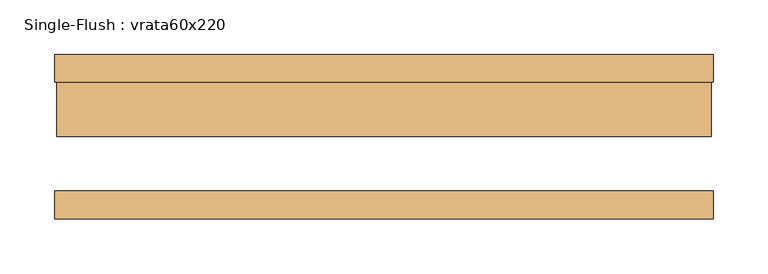
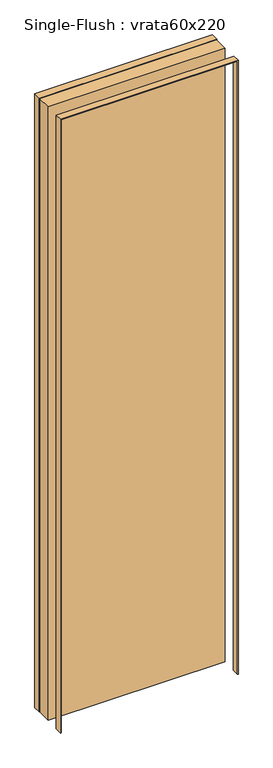
"""IFC4 building model written with IfcOpenShell, lengths in millimetres: door geometry, Single-Flush : vrata60x220."""

from ifc_helpers import new_model, si_unit, frame, origin, origin_with_axes, place, context, project, spatial, polyline, outline, extrude, source, transform, mapped, element, save


def single_flush_vrata60x220_a317b23c(model_context):
    return source(origin(), model_context, "Body", "SweptSolid", [
        extrude(outline(polyline([(2202.0, -302.0), (0.0, -302.0), (0.0, -300.0), (2200.0, -300.0), (2200.0, 300.0), (0.0, 300.0), (0.0, 302.0), (2202.0, 302.0), (2202.0, -302.0)])), frame((0.0, 50.0, 0.0), z_axis=(0.0, 1.0, 0.0), x_axis=(0.0, 0.0, 1.0)), (0.0, 0.0, 1.0), 25.4),
        extrude(outline(polyline([(2202.0, 302.0), (2202.0, -302.0), (0.0, -302.0), (0.0, -300.0), (2200.0, -300.0), (2200.0, 300.0), (0.0, 300.0), (0.0, 302.0), (2202.0, 302.0)])), frame((0.0, -75.4, 0.0), z_axis=(0.0, 1.0, 0.0), x_axis=(0.0, 0.0, 1.0)), (0.0, 0.0, 1.0), 25.4),
        extrude(outline(polyline([(300.0, 0.0), (-300.0, 0.0), (-300.0, 50.0), (300.0, 50.0), (300.0, 0.0)])), origin_with_axes(), (0.0, 0.0, 1.0), 2200.0),
    ])


if __name__ == "__main__":
    model = new_model("IFC4")
    model_context = context("Model", 3, world=origin())
    ifc_project = project(units=[si_unit("LENGTHUNIT", "METRE", prefix="MILLI")], contexts=[model_context])
    site = spatial("IfcSite", under=ifc_project)
    building = spatial("IfcBuilding", under=site)
    placement = place(None, origin())
    single_flush_vrata60x220_shape = single_flush_vrata60x220_a317b23c(model_context)
    element("IfcDoor", 1, ObjectType="Single-Flush : vrata60x220", at=placement, inside=building, context=model_context, shape_type="MappedRepresentation", body=[
        mapped(single_flush_vrata60x220_shape, transform((0.0, 0.0, 0.0), x_axis=(1.0, 0.0, 0.0), y_axis=(0.0, 1.0, 0.0), z_axis=(0.0, 0.0, 1.0))),
    ])
    save(model, "model.ifc")
